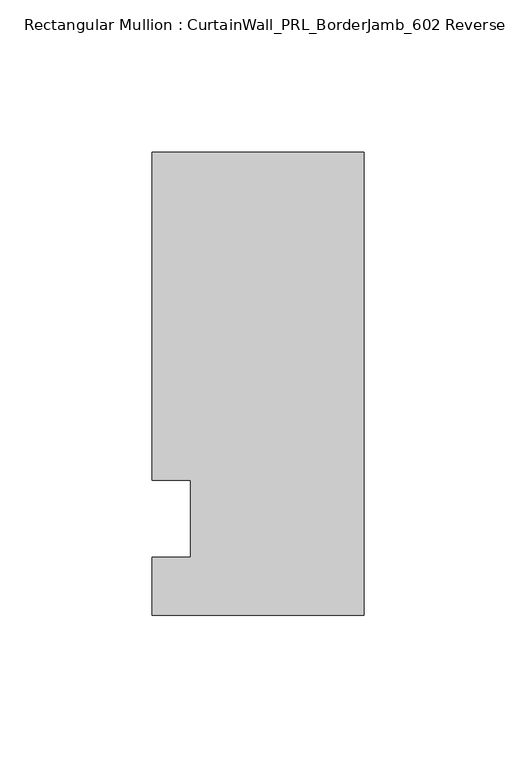
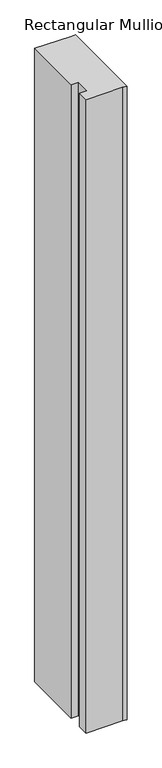
"""IFC4 building model written with IfcOpenShell, lengths in millimetres: member geometry, Rectangular Mullion : CurtainWall_PRL_BorderJamb_602 Reverse."""

from ifc_helpers import new_model, si_unit, frame, origin, place, context, project, spatial, polyline, outline, extrude, source, transform, mapped, element, save


def rectangular_mullion_curtainwall_prl_borderjamb_602_reverse_c5617d3d(model_context):
    return source(origin(), model_context, "Body", "SweptSolid", [
        extrude(outline(polyline([(-57.15, 12.7), (-69.85, 12.7), (-69.85, 120.65), (-6.35, 120.65), (0.0, 120.65), (0.0, -31.75), (-7.3958824, -31.75), (-69.85, -31.75), (-69.85, -12.7), (-57.15, -12.7), (-57.15, 12.7)])), frame((0.0, 0.0, -1145.069243), z_axis=(0.0, 0.0, 1.0), x_axis=(1.0, 0.0, 0.0)), (0.0, 0.0, 1.0), 1145.069243),
    ])


if __name__ == "__main__":
    model = new_model("IFC4")
    model_context = context("Model", 3, world=origin())
    ifc_project = project(units=[si_unit("LENGTHUNIT", "METRE", prefix="MILLI")], contexts=[model_context])
    site = spatial("IfcSite", under=ifc_project)
    building = spatial("IfcBuilding", under=site)
    placement = place(None, origin())
    rectangular_mullion_curtainwall_prl_borderjamb_602_reverse_shape = rectangular_mullion_curtainwall_prl_borderjamb_602_reverse_c5617d3d(model_context)
    element("IfcMember", 1, ObjectType="Rectangular Mullion : CurtainWall_PRL_BorderJamb_602 Reverse", at=placement, inside=building, context=model_context, shape_type="MappedRepresentation", body=[
        mapped(rectangular_mullion_curtainwall_prl_borderjamb_602_reverse_shape, transform((0.0, 0.0, 0.0), x_axis=(1.0, 0.0, 0.0), y_axis=(0.0, 1.0, 0.0), z_axis=(0.0, 0.0, 1.0))),
    ])
    save(model, "model.ifc")
